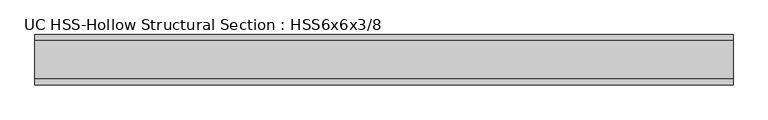
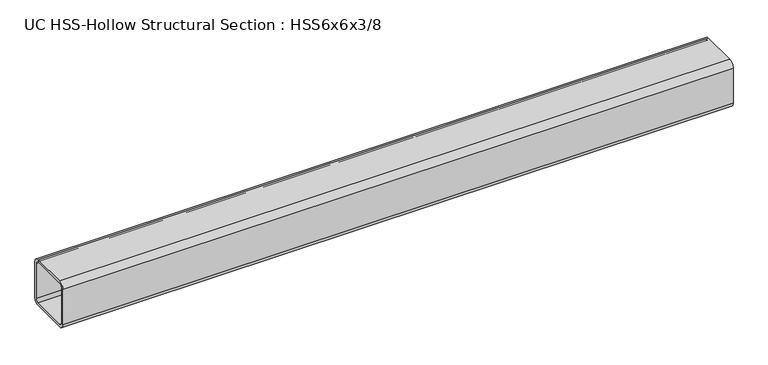
"""IFC4 building model written with IfcOpenShell, lengths in millimetres: beam geometry, UC HSS-Hollow Structural Section : HSS6x6x3/8."""

from ifc_helpers import new_model, si_unit, point, frame, frame_2d, origin, place, context, project, spatial, polyline, circle_curve, trimmed, segment, composite_curve, outline, extrude, source, transform, mapped, element, save


def uc_hss_hollow_structural_section_hss6x6x3_8_4faa7216(model_context):
    return source(origin(), model_context, "Body", "SweptSolid", [
        extrude(outline(composite_curve([segment(trimmed(circle_curve(frame_2d((-58.4708, 58.4708)), 17.7292), [point((-76.2, 58.4708))], [point((-58.4708, 76.2))], False, "CARTESIAN"), True, "CONTINUOUS"), segment(polyline([(-58.4708, 76.2), (58.4708, 76.2)]), True, "CONTINUOUS"), segment(trimmed(circle_curve(frame_2d((58.4708, 58.4708)), 17.7292), [point((58.4708, 76.2))], [point((76.2, 58.4708))], False, "CARTESIAN"), True, "CONTINUOUS"), segment(polyline([(76.2, 58.4708), (76.2, -58.4708)]), True, "CONTINUOUS"), segment(trimmed(circle_curve(frame_2d((58.4708, -58.4708)), 17.7292), [point((76.2, -58.4708))], [point((58.4708, -76.2))], False, "CARTESIAN"), True, "CONTINUOUS"), segment(polyline([(58.4708, -76.2), (-58.4708, -76.2)]), True, "CONTINUOUS"), segment(trimmed(circle_curve(frame_2d((-58.4708, -58.4708)), 17.7292), [point((-58.4708, -76.2))], [point((-76.2, -58.4708))], False, "CARTESIAN"), True, "CONTINUOUS"), segment(polyline([(-76.2, -58.4708), (-76.2, 58.4708)]), True, "CONTINUOUS")], self_intersect=False), holes=[composite_curve([segment(polyline([(58.4708, 67.3354), (-58.4708, 67.3354)]), True, "CONTINUOUS"), segment(trimmed(circle_curve(frame_2d((-58.4708, 58.4708)), 8.8646), [point((-58.4708, 67.3354))], [point((-67.3354, 58.4708))], True, "CARTESIAN"), True, "CONTINUOUS"), segment(polyline([(-67.3354, 58.4708), (-67.3354, -58.4708)]), True, "CONTINUOUS"), segment(trimmed(circle_curve(frame_2d((-58.4708, -58.4708)), 8.8646), [point((-67.3354, -58.4708))], [point((-58.4708, -67.3354))], True, "CARTESIAN"), True, "CONTINUOUS"), segment(polyline([(-58.4708, -67.3354), (58.4708, -67.3354)]), True, "CONTINUOUS"), segment(trimmed(circle_curve(frame_2d((58.4708, -58.4708)), 8.8646), [point((58.4708, -67.3354))], [point((67.3354, -58.4708))], True, "CARTESIAN"), True, "CONTINUOUS"), segment(polyline([(67.3354, -58.4708), (67.3354, 58.4708)]), True, "CONTINUOUS"), segment(trimmed(circle_curve(frame_2d((58.4708, 58.4708)), 8.8646), [point((67.3354, 58.4708))], [point((58.4708, 67.3354))], True, "CARTESIAN"), True, "CONTINUOUS")], self_intersect=False)]), frame((-1069.0082881, 0.0, 0.0), z_axis=(1.0, 0.0, 0.0), x_axis=(0.0, 1.0, 0.0)), (0.0, 0.0, 1.0), 2109.7171175),
    ])


if __name__ == "__main__":
    model = new_model("IFC4")
    model_context = context("Model", 3, world=origin())
    ifc_project = project(units=[si_unit("LENGTHUNIT", "METRE", prefix="MILLI")], contexts=[model_context])
    site = spatial("IfcSite", under=ifc_project)
    building = spatial("IfcBuilding", under=site)
    placement = place(None, origin())
    uc_hss_hollow_structural_section_hss6x6x3_8_shape = uc_hss_hollow_structural_section_hss6x6x3_8_4faa7216(model_context)
    element("IfcBeam", 1, ObjectType="UC HSS-Hollow Structural Section : HSS6x6x3/8", at=placement, inside=building, context=model_context, shape_type="MappedRepresentation", body=[
        mapped(uc_hss_hollow_structural_section_hss6x6x3_8_shape, transform((0.0, 0.0, 0.0), x_axis=(1.0, 0.0, 0.0), y_axis=(0.0, 1.0, 0.0), z_axis=(0.0, 0.0, 1.0))),
    ])
    save(model, "model.ifc")
